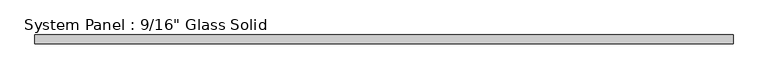
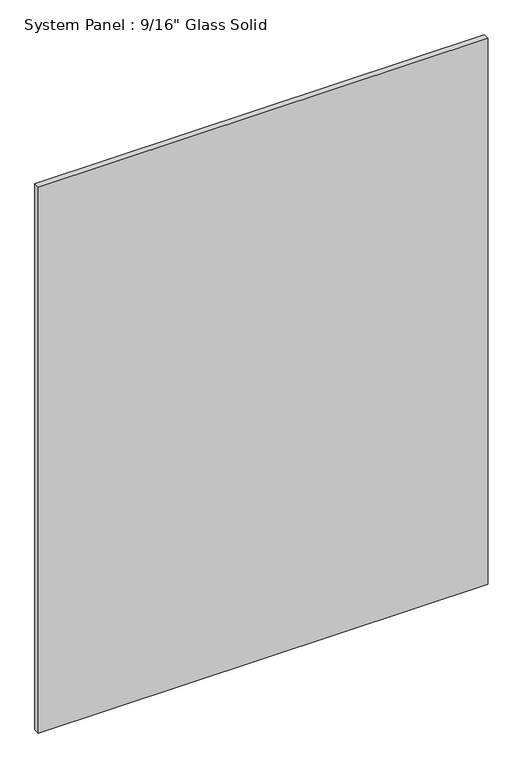
"""IFC4 building model written with IfcOpenShell, lengths in millimetres: plate geometry."""

import ifcopenshell
import ifcopenshell.guid

model = None  # the IFC model being written
_history = None  # IfcOwnerHistory: only IFC2X3 demands one
_inside = {}  # id of a spatial element -> (the spatial element, [elements in it])
_under = {}  # id of a project, library or spatial element -> (it, [spatial elements below it])
_declared = {}  # id of a project -> (the project, [libraries it declares])
_typed = {}  # id of a type object -> (the type object, [elements of that type])
_made_of = {}  # id of a material, layer set ... -> (it, [elements and type objects made of it])


def new_model(schema):
    """Start an empty IFC model of exactly this schema.

    Asked for "IFC4X3", IfcOpenShell would pick the latest addendum, in which some entities
    have other attributes; the version numbers below select the first issue.
    IFC2X3 requires an IfcOwnerHistory on every rooted entity: one is made here for all.
    """
    global model, _history
    if schema == "IFC4X3":
        model = ifcopenshell.file(schema_version=(4, 3, 0, 0))
    else:
        model = ifcopenshell.file(schema=schema)
    _inside.clear()
    _under.clear()
    _declared.clear()
    _typed.clear()
    _made_of.clear()
    _history = None
    if model.schema == "IFC2X3":
        org = make("IfcOrganization", Name="unknown")
        user = make(
            "IfcPersonAndOrganization",
            ThePerson=make("IfcPerson", FamilyName="unknown"),
            TheOrganization=org,
        )
        app = make(
            "IfcApplication",
            ApplicationDeveloper=org,
            Version="unknown",
            ApplicationFullName="unknown",
            ApplicationIdentifier="unknown",
        )
        _history = make(
            "IfcOwnerHistory",
            OwningUser=user,
            OwningApplication=app,
            ChangeAction="ADDED",
            CreationDate=0,
        )
    return model


def make(cls, **values):
    """One entity of the class cls with the attributes given. An attribute that is None is left unset."""
    return model.create_entity(
        cls, **{name: value for name, value in values.items() if value is not None}
    )


def rooted(cls, **values):
    """An entity with a GlobalId (a new one), such as an element, a storey or a relation."""
    return make(cls, GlobalId=ifcopenshell.guid.new(), OwnerHistory=_history, **values)


def si_unit(unit_type, name, prefix=None):
    """IfcSIUnit, for example si_unit("LENGTHUNIT", "METRE", prefix="MILLI")."""
    return make("IfcSIUnit", UnitType=unit_type, Prefix=prefix, Name=name)


def assignment(units):
    """IfcUnitAssignment: the units of a project."""
    return None if units is None else make("IfcUnitAssignment", Units=units)


def point(xyz):
    """IfcCartesianPoint."""
    return None if xyz is None else make("IfcCartesianPoint", Coordinates=xyz)


def direction(xyz):
    """IfcDirection."""
    return None if xyz is None else make("IfcDirection", DirectionRatios=xyz)


def frame(location, z_axis=None, x_axis=None):
    """IfcAxis2Placement3D, a coordinate frame: its origin and axes. An axis left out is left unset."""
    return make(
        "IfcAxis2Placement3D",
        Location=point(location),
        Axis=direction(z_axis),
        RefDirection=direction(x_axis),
    )


def origin():
    """The frame at (0, 0, 0) with its axes left unset."""
    return frame((0.0, 0.0, 0.0))


def origin_with_axes():
    """The frame at (0, 0, 0) with the z axis (0, 0, 1) and the x axis (1, 0, 0) written out."""
    return frame((0.0, 0.0, 0.0), z_axis=(0.0, 0.0, 1.0), x_axis=(1.0, 0.0, 0.0))


def place(relative_to, where):
    """IfcLocalPlacement: puts the frame where relative to a parent placement (None: the world)."""
    return make(
        "IfcLocalPlacement", PlacementRelTo=relative_to, RelativePlacement=where
    )


def context(
    kind, dimensions, precision=None, world=None, true_north=None, identifier=None
):
    """IfcGeometricRepresentationContext, for example the 3D "Model" context."""
    return make(
        "IfcGeometricRepresentationContext",
        ContextIdentifier=identifier,
        ContextType=kind,
        CoordinateSpaceDimension=dimensions,
        Precision=precision,
        WorldCoordinateSystem=world,
        TrueNorth=true_north,
    )


def project(units=None, contexts=None):
    """IfcProject with its units and contexts."""
    return rooted(
        "IfcProject",
        Name="project",
        RepresentationContexts=contexts,
        UnitsInContext=assignment(units),
    )


def spatial(cls, under=None, at=None, **own):
    """A site, building, storey or space (cls), placed at a placement, below another one or the project."""
    s = rooted(cls, ObjectPlacement=at, **own)
    if under is not None:
        _under.setdefault(under.id(), (under, []))[1].append(s)
    return s


def polyline(points):
    """IfcPolyline through the points."""
    return make("IfcPolyline", Points=[point(p) for p in points])


def outline(outer, holes=None, kind="AREA"):
    """IfcArbitraryClosedProfileDef: a profile drawn as a closed curve; with holes, ...WithVoids."""
    if holes is None:
        return make("IfcArbitraryClosedProfileDef", ProfileType=kind, OuterCurve=outer)
    return make(
        "IfcArbitraryProfileDefWithVoids",
        ProfileType=kind,
        OuterCurve=outer,
        InnerCurves=holes,
    )


def extrude(swept, where, along, depth):
    """IfcExtrudedAreaSolid: the profile swept, set in the frame where, extruded along a direction by depth."""
    return make(
        "IfcExtrudedAreaSolid",
        SweptArea=swept,
        Position=where,
        ExtrudedDirection=direction(along),
        Depth=depth,
    )


def shape(context_of_items, identifier, shape_type, items):
    """IfcShapeRepresentation: the items that make up one representation, for example the "Body"."""
    return make(
        "IfcShapeRepresentation",
        ContextOfItems=context_of_items,
        RepresentationIdentifier=identifier,
        RepresentationType=shape_type,
        Items=items,
    )


def source(mapping_origin, context_of_items, identifier, shape_type, items):
    """IfcRepresentationMap: a shape defined once, which mapped items show again and again."""
    return make(
        "IfcRepresentationMap",
        MappingOrigin=mapping_origin,
        MappedRepresentation=shape(context_of_items, identifier, shape_type, items),
    )


def transform(
    local_origin,
    x_axis=None,
    y_axis=None,
    z_axis=None,
    scale=None,
    scale2=None,
    scale3=None,
    uniform=True,
):
    """IfcCartesianTransformationOperator3D, or its non-uniform kind. x_axis, y_axis, z_axis: its Axis1, 2, 3."""
    if uniform:
        return make(
            "IfcCartesianTransformationOperator3D",
            Axis1=direction(x_axis),
            Axis2=direction(y_axis),
            LocalOrigin=point(local_origin),
            Scale=scale,
            Axis3=direction(z_axis),
        )
    return make(
        "IfcCartesianTransformationOperator3DnonUniform",
        Axis1=direction(x_axis),
        Axis2=direction(y_axis),
        LocalOrigin=point(local_origin),
        Scale=scale,
        Axis3=direction(z_axis),
        Scale2=scale2,
        Scale3=scale3,
    )


def mapped(mapping_source, mapping_target):
    """IfcMappedItem: shows the shape of a source again, moved by a transform."""
    return make(
        "IfcMappedItem", MappingSource=mapping_source, MappingTarget=mapping_target
    )


def made_of(thing, what):
    """Note that an element or type object is made of a material, layer set ...; save() writes the relation."""
    if what is not None:
        _made_of.setdefault(what.id(), (what, []))[1].append(thing)
    return thing


def element(
    cls,
    number,
    at=None,
    inside=None,
    cuts=None,
    type_object=None,
    material=None,
    context=None,
    identifier="Body",
    shape_type=None,
    held_by="IfcProductDefinitionShape",
    body=None,
    shapes=None,
    **own,
):
    """One element of the class cls, such as IfcWall. Its Tag is "e" and its number.

    at: its placement. inside: the storey or other place that contains it. cuts: it is an
    opening in that element (IfcRelVoidsElement). A single representation is given by context,
    identifier, shape_type and body (its items); several are given by shapes. held_by: the class
    of the entity that holds the representations. save() writes the other relations.
    """
    e = rooted(cls, Tag="e%d" % number, ObjectPlacement=at, **own)
    if body is not None:
        shapes = [shape(context, identifier, shape_type, body)]
    if shapes is not None:
        e.Representation = make(held_by, Representations=shapes)
    if inside is not None:
        _inside.setdefault(inside.id(), (inside, []))[1].append(e)
    if cuts is not None:
        rooted(
            "IfcRelVoidsElement", RelatingBuildingElement=cuts, RelatedOpeningElement=e
        )
    if type_object is not None:
        _typed.setdefault(type_object.id(), (type_object, []))[1].append(e)
    return made_of(e, material)


def aggregate(whole, parts):
    """IfcRelAggregates: a whole, such as a stair, and the parts it consists of."""
    return rooted("IfcRelAggregates", RelatingObject=whole, RelatedObjects=parts)


def save(model, path):
    """Write the relations noted so far, then the file.

    IfcRelAggregates (storeys below a building ...), IfcRelContainedInSpatialStructure (elements
    in a storey), IfcRelDefinesByType, IfcRelAssociatesMaterial and IfcRelDeclares: one each for
    every whole, place, type object, material and project.
    """
    for whole, parts in _under.values():
        aggregate(whole, parts)
    for where, things in _inside.values():
        rooted(
            "IfcRelContainedInSpatialStructure",
            RelatedElements=things,
            RelatingStructure=where,
        )
    for kind, things in _typed.values():
        rooted("IfcRelDefinesByType", RelatedObjects=things, RelatingType=kind)
    for what, things in _made_of.values():
        rooted("IfcRelAssociatesMaterial", RelatedObjects=things, RelatingMaterial=what)
    for by, libraries in _declared.values():
        rooted("IfcRelDeclares", RelatingContext=by, RelatedDefinitions=libraries)
    model.write(path)


def plate_b89f13c7(model_context):
    return source(origin(), model_context, "Body", "SweptSolid", [
        extrude(outline(polyline([(558.2220691, -7.14375), (-558.2220691, -7.14375), (-558.2220691, 7.14375), (558.2220691, 7.14375), (558.2220691, -7.14375)])), origin_with_axes(), (0.0, 0.0, 1.0), 1431.8144027),
    ])


if __name__ == "__main__":
    model = new_model("IFC4")
    model_context = context("Model", 3, world=origin())
    ifc_project = project(units=[si_unit("LENGTHUNIT", "METRE", prefix="MILLI")], contexts=[model_context])
    site = spatial("IfcSite", under=ifc_project)
    building = spatial("IfcBuilding", under=site)
    placement = place(None, origin())
    plate_shape = plate_b89f13c7(model_context)
    element("IfcPlate", 1, ObjectType="System Panel : 9/16\" Glass Solid", at=placement, inside=building, context=model_context, shape_type="MappedRepresentation", body=[
        mapped(plate_shape, transform((0.0, 0.0, 0.0), x_axis=(1.0, 0.0, 0.0), y_axis=(0.0, 1.0, 0.0), z_axis=(0.0, 0.0, 1.0))),
    ])
    save(model, "model.ifc")
